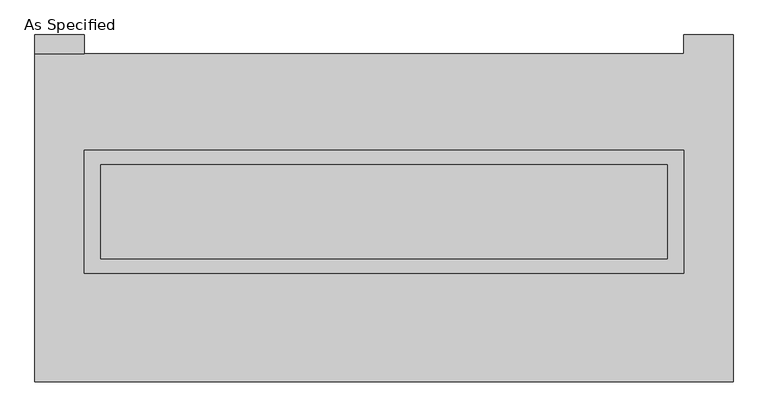
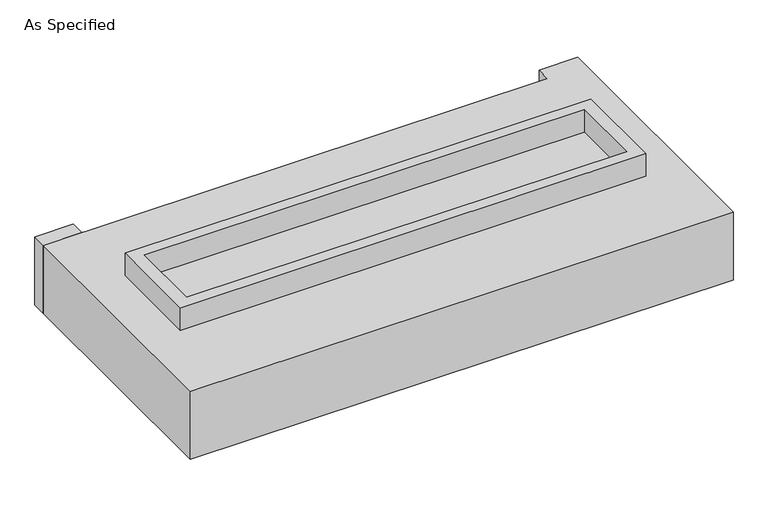
"""IFC4 building model written with IfcOpenShell, lengths in millimetres: proxy geometry, As Specified."""

from ifc_helpers import new_model, si_unit, frame, origin, place, context, project, spatial, polyline, outline, extrude, source, transform, mapped, element, save


def as_specified_6bef17b9(model_context):
    return source(origin(), model_context, "Body", "SweptSolid", [
        extrude(outline(polyline([(1612.9, 361.95), (1612.9, -298.45), (-1612.9, -298.45), (-1612.9, 361.95), (1612.9, 361.95)]), holes=[polyline([(1524.0, 285.75), (-1524.0, 285.75), (-1524.0, -222.25), (1524.0, -222.25), (1524.0, 285.75)])]), frame((0.0, 0.0, -688.975), z_axis=(0.0, 0.0, 1.0), x_axis=(1.0, 0.0, 0.0)), (0.0, 0.0, 1.0), 165.1),
        extrude(outline(polyline([(1612.9, 361.95), (1612.9, -298.45), (-1612.9, -298.45), (-1612.9, 361.95), (1612.9, 361.95)]), holes=[polyline([(1524.0, 285.75), (-1524.0, 285.75), (-1524.0, -222.25), (1524.0, -222.25), (1524.0, 285.75)])]), frame((0.0, 0.0, -25.4), z_axis=(0.0, 0.0, 1.0), x_axis=(1.0, 0.0, 0.0)), (0.0, 0.0, 1.0), 165.1),
        extrude(outline(polyline([(-1612.9, 882.65), (-1879.6, 882.65), (-1879.6, 984.25), (-1612.9, 984.25), (-1612.9, 882.65)])), frame((0.0, 0.0, -523.875), z_axis=(0.0, 0.0, 1.0), x_axis=(1.0, 0.0, 0.0)), (0.0, 0.0, 1.0), 498.475),
        extrude(outline(polyline([(1524.0, 285.75), (1524.0, -222.25), (-1524.0, -222.25), (-1524.0, 285.75), (1524.0, 285.75)])), frame((0.0, 0.0, -523.875), z_axis=(0.0, 0.0, 1.0), x_axis=(1.0, 0.0, 0.0)), (0.0, 0.0, 1.0), 4.9609375),
        extrude(outline(polyline([(1524.0, 285.75), (1524.0, -222.25), (-1524.0, -222.25), (-1524.0, 285.75), (1524.0, 285.75)])), frame((0.0, 0.0, -30.3609375), z_axis=(0.0, 0.0, 1.0), x_axis=(1.0, 0.0, 0.0)), (0.0, 0.0, 1.0), 4.9609375),
        extrude(outline(polyline([(1879.6, -882.65), (-1879.6, -882.65), (-1879.6, 882.65), (1612.9, 882.65), (1612.9, 984.25), (1879.6, 984.25), (1879.6, -882.65)]), holes=[polyline([(-1612.9, 361.95), (-1612.9, -298.45), (1612.9, -298.45), (1612.9, 361.95), (-1612.9, 361.95)])]), frame((0.0, 0.0, -523.875), z_axis=(0.0, 0.0, 1.0), x_axis=(1.0, 0.0, 0.0)), (0.0, 0.0, 1.0), 498.475),
    ])


if __name__ == "__main__":
    model = new_model("IFC4")
    model_context = context("Model", 3, world=origin())
    ifc_project = project(units=[si_unit("LENGTHUNIT", "METRE", prefix="MILLI")], contexts=[model_context])
    site = spatial("IfcSite", under=ifc_project)
    building = spatial("IfcBuilding", under=site)
    placement = place(None, origin())
    as_specified_shape = as_specified_6bef17b9(model_context)
    element("IfcBuildingElementProxy", 1, Name="As Specified", ObjectType="As Specified", at=placement, inside=building, context=model_context, shape_type="MappedRepresentation", body=[
        mapped(as_specified_shape, transform((0.0, 0.0, 0.0), x_axis=(1.0, 0.0, 0.0), y_axis=(0.0, 1.0, 0.0), z_axis=(0.0, 0.0, 1.0))),
    ])
    save(model, "model.ifc")
